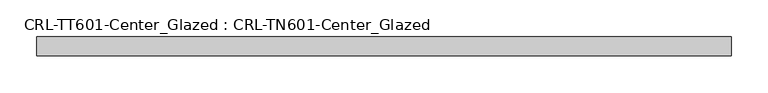
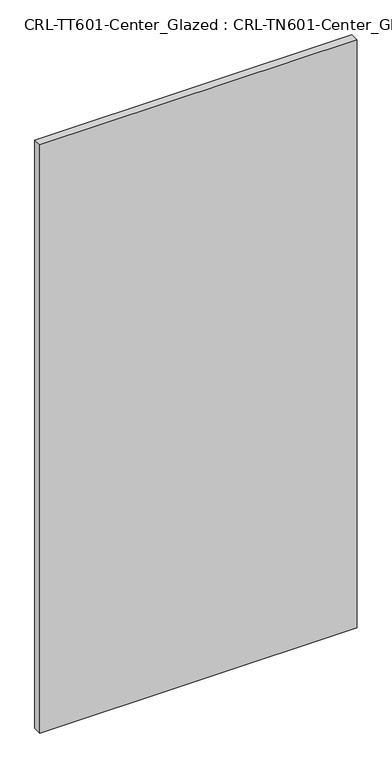
"""IFC4 building model written with IfcOpenShell, lengths in millimetres: plate geometry, CRL-TT601-Center_Glazed : CRL-TN601-Center_Glazed."""

import ifcopenshell
import ifcopenshell.guid

model = None  # the IFC model being written
_history = None  # IfcOwnerHistory: only IFC2X3 demands one
_inside = {}  # id of a spatial element -> (the spatial element, [elements in it])
_under = {}  # id of a project, library or spatial element -> (it, [spatial elements below it])
_declared = {}  # id of a project -> (the project, [libraries it declares])
_typed = {}  # id of a type object -> (the type object, [elements of that type])
_made_of = {}  # id of a material, layer set ... -> (it, [elements and type objects made of it])


def new_model(schema):
    """Start an empty IFC model of exactly this schema.

    Asked for "IFC4X3", IfcOpenShell would pick the latest addendum, in which some entities
    have other attributes; the version numbers below select the first issue.
    IFC2X3 requires an IfcOwnerHistory on every rooted entity: one is made here for all.
    """
    global model, _history
    if schema == "IFC4X3":
        model = ifcopenshell.file(schema_version=(4, 3, 0, 0))
    else:
        model = ifcopenshell.file(schema=schema)
    _inside.clear()
    _under.clear()
    _declared.clear()
    _typed.clear()
    _made_of.clear()
    _history = None
    if model.schema == "IFC2X3":
        org = make("IfcOrganization", Name="unknown")
        user = make(
            "IfcPersonAndOrganization",
            ThePerson=make("IfcPerson", FamilyName="unknown"),
            TheOrganization=org,
        )
        app = make(
            "IfcApplication",
            ApplicationDeveloper=org,
            Version="unknown",
            ApplicationFullName="unknown",
            ApplicationIdentifier="unknown",
        )
        _history = make(
            "IfcOwnerHistory",
            OwningUser=user,
            OwningApplication=app,
            ChangeAction="ADDED",
            CreationDate=0,
        )
    return model


def make(cls, **values):
    """One entity of the class cls with the attributes given. An attribute that is None is left unset."""
    return model.create_entity(
        cls, **{name: value for name, value in values.items() if value is not None}
    )


def rooted(cls, **values):
    """An entity with a GlobalId (a new one), such as an element, a storey or a relation."""
    return make(cls, GlobalId=ifcopenshell.guid.new(), OwnerHistory=_history, **values)


def si_unit(unit_type, name, prefix=None):
    """IfcSIUnit, for example si_unit("LENGTHUNIT", "METRE", prefix="MILLI")."""
    return make("IfcSIUnit", UnitType=unit_type, Prefix=prefix, Name=name)


def assignment(units):
    """IfcUnitAssignment: the units of a project."""
    return None if units is None else make("IfcUnitAssignment", Units=units)


def point(xyz):
    """IfcCartesianPoint."""
    return None if xyz is None else make("IfcCartesianPoint", Coordinates=xyz)


def direction(xyz):
    """IfcDirection."""
    return None if xyz is None else make("IfcDirection", DirectionRatios=xyz)


def frame(location, z_axis=None, x_axis=None):
    """IfcAxis2Placement3D, a coordinate frame: its origin and axes. An axis left out is left unset."""
    return make(
        "IfcAxis2Placement3D",
        Location=point(location),
        Axis=direction(z_axis),
        RefDirection=direction(x_axis),
    )


def origin():
    """The frame at (0, 0, 0) with its axes left unset."""
    return frame((0.0, 0.0, 0.0))


def origin_with_axes():
    """The frame at (0, 0, 0) with the z axis (0, 0, 1) and the x axis (1, 0, 0) written out."""
    return frame((0.0, 0.0, 0.0), z_axis=(0.0, 0.0, 1.0), x_axis=(1.0, 0.0, 0.0))


def place(relative_to, where):
    """IfcLocalPlacement: puts the frame where relative to a parent placement (None: the world)."""
    return make(
        "IfcLocalPlacement", PlacementRelTo=relative_to, RelativePlacement=where
    )


def context(
    kind, dimensions, precision=None, world=None, true_north=None, identifier=None
):
    """IfcGeometricRepresentationContext, for example the 3D "Model" context."""
    return make(
        "IfcGeometricRepresentationContext",
        ContextIdentifier=identifier,
        ContextType=kind,
        CoordinateSpaceDimension=dimensions,
        Precision=precision,
        WorldCoordinateSystem=world,
        TrueNorth=true_north,
    )


def project(units=None, contexts=None):
    """IfcProject with its units and contexts."""
    return rooted(
        "IfcProject",
        Name="project",
        RepresentationContexts=contexts,
        UnitsInContext=assignment(units),
    )


def spatial(cls, under=None, at=None, **own):
    """A site, building, storey or space (cls), placed at a placement, below another one or the project."""
    s = rooted(cls, ObjectPlacement=at, **own)
    if under is not None:
        _under.setdefault(under.id(), (under, []))[1].append(s)
    return s


def polyline(points):
    """IfcPolyline through the points."""
    return make("IfcPolyline", Points=[point(p) for p in points])


def outline(outer, holes=None, kind="AREA"):
    """IfcArbitraryClosedProfileDef: a profile drawn as a closed curve; with holes, ...WithVoids."""
    if holes is None:
        return make("IfcArbitraryClosedProfileDef", ProfileType=kind, OuterCurve=outer)
    return make(
        "IfcArbitraryProfileDefWithVoids",
        ProfileType=kind,
        OuterCurve=outer,
        InnerCurves=holes,
    )


def extrude(swept, where, along, depth):
    """IfcExtrudedAreaSolid: the profile swept, set in the frame where, extruded along a direction by depth."""
    return make(
        "IfcExtrudedAreaSolid",
        SweptArea=swept,
        Position=where,
        ExtrudedDirection=direction(along),
        Depth=depth,
    )


def shape(context_of_items, identifier, shape_type, items):
    """IfcShapeRepresentation: the items that make up one representation, for example the "Body"."""
    return make(
        "IfcShapeRepresentation",
        ContextOfItems=context_of_items,
        RepresentationIdentifier=identifier,
        RepresentationType=shape_type,
        Items=items,
    )


def source(mapping_origin, context_of_items, identifier, shape_type, items):
    """IfcRepresentationMap: a shape defined once, which mapped items show again and again."""
    return make(
        "IfcRepresentationMap",
        MappingOrigin=mapping_origin,
        MappedRepresentation=shape(context_of_items, identifier, shape_type, items),
    )


def transform(
    local_origin,
    x_axis=None,
    y_axis=None,
    z_axis=None,
    scale=None,
    scale2=None,
    scale3=None,
    uniform=True,
):
    """IfcCartesianTransformationOperator3D, or its non-uniform kind. x_axis, y_axis, z_axis: its Axis1, 2, 3."""
    if uniform:
        return make(
            "IfcCartesianTransformationOperator3D",
            Axis1=direction(x_axis),
            Axis2=direction(y_axis),
            LocalOrigin=point(local_origin),
            Scale=scale,
            Axis3=direction(z_axis),
        )
    return make(
        "IfcCartesianTransformationOperator3DnonUniform",
        Axis1=direction(x_axis),
        Axis2=direction(y_axis),
        LocalOrigin=point(local_origin),
        Scale=scale,
        Axis3=direction(z_axis),
        Scale2=scale2,
        Scale3=scale3,
    )


def mapped(mapping_source, mapping_target):
    """IfcMappedItem: shows the shape of a source again, moved by a transform."""
    return make(
        "IfcMappedItem", MappingSource=mapping_source, MappingTarget=mapping_target
    )


def made_of(thing, what):
    """Note that an element or type object is made of a material, layer set ...; save() writes the relation."""
    if what is not None:
        _made_of.setdefault(what.id(), (what, []))[1].append(thing)
    return thing


def element(
    cls,
    number,
    at=None,
    inside=None,
    cuts=None,
    type_object=None,
    material=None,
    context=None,
    identifier="Body",
    shape_type=None,
    held_by="IfcProductDefinitionShape",
    body=None,
    shapes=None,
    **own,
):
    """One element of the class cls, such as IfcWall. Its Tag is "e" and its number.

    at: its placement. inside: the storey or other place that contains it. cuts: it is an
    opening in that element (IfcRelVoidsElement). A single representation is given by context,
    identifier, shape_type and body (its items); several are given by shapes. held_by: the class
    of the entity that holds the representations. save() writes the other relations.
    """
    e = rooted(cls, Tag="e%d" % number, ObjectPlacement=at, **own)
    if body is not None:
        shapes = [shape(context, identifier, shape_type, body)]
    if shapes is not None:
        e.Representation = make(held_by, Representations=shapes)
    if inside is not None:
        _inside.setdefault(inside.id(), (inside, []))[1].append(e)
    if cuts is not None:
        rooted(
            "IfcRelVoidsElement", RelatingBuildingElement=cuts, RelatedOpeningElement=e
        )
    if type_object is not None:
        _typed.setdefault(type_object.id(), (type_object, []))[1].append(e)
    return made_of(e, material)


def aggregate(whole, parts):
    """IfcRelAggregates: a whole, such as a stair, and the parts it consists of."""
    return rooted("IfcRelAggregates", RelatingObject=whole, RelatedObjects=parts)


def save(model, path):
    """Write the relations noted so far, then the file.

    IfcRelAggregates (storeys below a building ...), IfcRelContainedInSpatialStructure (elements
    in a storey), IfcRelDefinesByType, IfcRelAssociatesMaterial and IfcRelDeclares: one each for
    every whole, place, type object, material and project.
    """
    for whole, parts in _under.values():
        aggregate(whole, parts)
    for where, things in _inside.values():
        rooted(
            "IfcRelContainedInSpatialStructure",
            RelatedElements=things,
            RelatingStructure=where,
        )
    for kind, things in _typed.values():
        rooted("IfcRelDefinesByType", RelatedObjects=things, RelatingType=kind)
    for what, things in _made_of.values():
        rooted("IfcRelAssociatesMaterial", RelatedObjects=things, RelatingMaterial=what)
    for by, libraries in _declared.values():
        rooted("IfcRelDeclares", RelatingContext=by, RelatedDefinitions=libraries)
    model.write(path)


def crl_tt601_center_glazed_crl_tn601_center_glazed_7a890578(model_context):
    return source(origin(), model_context, "Body", "SweptSolid", [
        extrude(outline(polyline([(-469.8999937, -12.7254), (-469.8999937, 12.6746), (469.8999937, 12.6746), (469.8999937, -12.7254), (-469.8999937, -12.7254)])), origin_with_axes(), (0.0, 0.0, 1.0), 1841.355463),
    ])


if __name__ == "__main__":
    model = new_model("IFC4")
    model_context = context("Model", 3, world=origin())
    ifc_project = project(units=[si_unit("LENGTHUNIT", "METRE", prefix="MILLI")], contexts=[model_context])
    site = spatial("IfcSite", under=ifc_project)
    building = spatial("IfcBuilding", under=site)
    placement = place(None, origin())
    crl_tt601_center_glazed_crl_tn601_center_glazed_shape = crl_tt601_center_glazed_crl_tn601_center_glazed_7a890578(model_context)
    element("IfcPlate", 1, ObjectType="CRL-TT601-Center_Glazed : CRL-TN601-Center_Glazed", at=placement, inside=building, context=model_context, shape_type="MappedRepresentation", body=[
        mapped(crl_tt601_center_glazed_crl_tn601_center_glazed_shape, transform((0.0, 0.0, 0.0), x_axis=(1.0, 0.0, 0.0), y_axis=(0.0, 1.0, 0.0), z_axis=(0.0, 0.0, 1.0))),
    ])
    save(model, "model.ifc")
